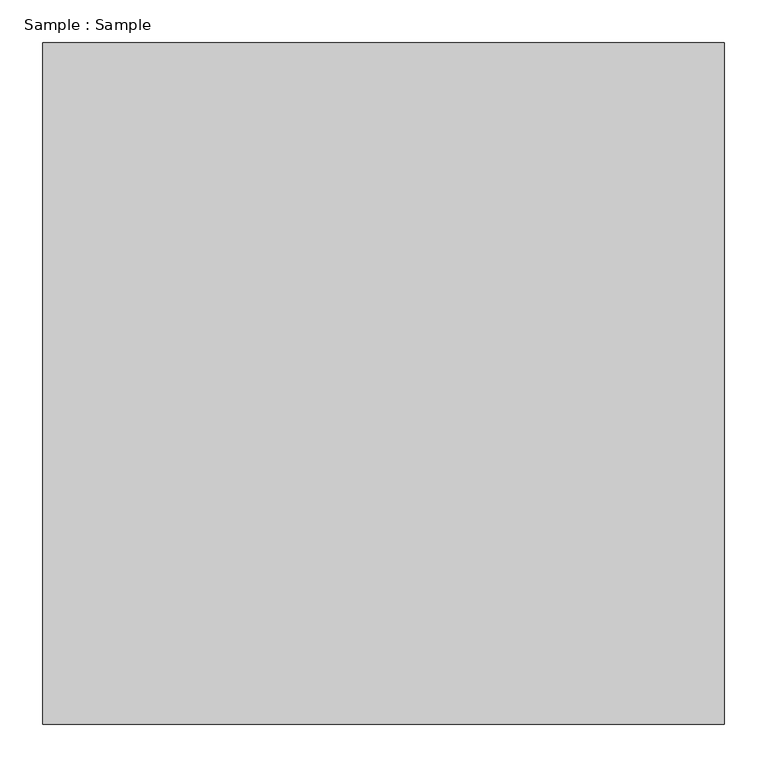
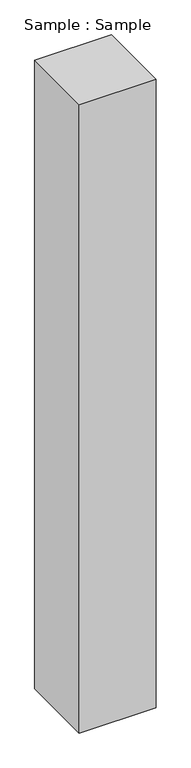
"""IFC4 building model written with IfcOpenShell, lengths in millimetres: proxy geometry, Sample : Sample."""

from ifc_helpers import new_model, si_unit, origin, origin_with_axes, place, context, project, spatial, polyline, outline, extrude, source, transform, mapped, element, save


def sample_sample_8189ca6c(model_context):
    return source(origin(), model_context, "Body", "SweptSolid", [
        extrude(outline(polyline([(400.0, 400.0), (400.0, -400.0), (-400.0, -400.0), (-400.0, 400.0), (400.0, 400.0)])), origin_with_axes(), (0.0, 0.0, 1.0), 6896.5517241),
    ])


if __name__ == "__main__":
    model = new_model("IFC4")
    model_context = context("Model", 3, world=origin())
    ifc_project = project(units=[si_unit("LENGTHUNIT", "METRE", prefix="MILLI")], contexts=[model_context])
    site = spatial("IfcSite", under=ifc_project)
    building = spatial("IfcBuilding", under=site)
    placement = place(None, origin())
    sample_sample_shape = sample_sample_8189ca6c(model_context)
    element("IfcBuildingElementProxy", 1, Name="Sample : Sample", ObjectType="Sample : Sample", at=placement, inside=building, context=model_context, shape_type="MappedRepresentation", body=[
        mapped(sample_sample_shape, transform((0.0, 0.0, 0.0), x_axis=(1.0, 0.0, 0.0), y_axis=(0.0, 1.0, 0.0), z_axis=(0.0, 0.0, 1.0))),
    ])
    save(model, "model.ifc")
